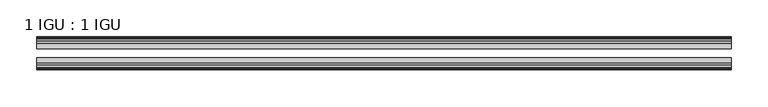
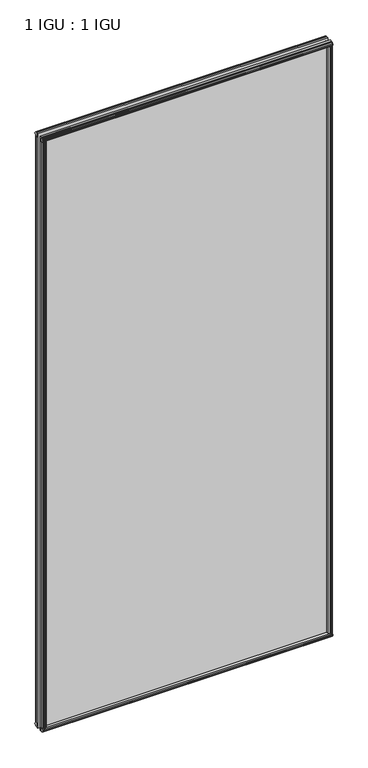
"""IFC4 building model written with IfcOpenShell, lengths in millimetres: plate geometry, 1 IGU : 1 IGU."""

from ifc_helpers import new_model, si_unit, frame, origin, origin_with_axes, place, context, project, spatial, polyline, outline, extrude, source, transform, mapped, element, save


def plate_1_igu_1_igu_a1314116(model_context):
    return source(origin(), model_context, "Body", "SweptSolid", [
        extrude(outline(polyline([(458.7511137, -19.5460937), (460.8563908, -13.1960937), (466.0635852, -13.1960937), (466.4445852, -10.8158968), (465.0290562, -11.27583), (465.0290562, -10.4746158), (467.2065852, -9.7670937), (469.3841143, -10.4746158), (469.3841143, -11.27583), (467.9685852, -10.8158968), (468.3495852, -13.1960937), (472.7945852, -13.1960937), (472.7945852, -16.1419073), (470.5815077, -19.5460937), (458.7511137, -19.5460937)])), origin_with_axes(), (0.0, 0.0, 1.0), 2019.3),
        extrude(outline(polyline([(-458.7511137, -19.5460937), (-470.5815077, -19.5460937), (-472.7945852, -16.1419073), (-472.7945852, -13.1960937), (-468.3495852, -13.1960937), (-467.9685852, -10.8158968), (-469.3841143, -11.27583), (-469.3841143, -10.4746158), (-467.2065852, -9.7670937), (-465.0290562, -10.4746158), (-465.0290562, -11.27583), (-466.4445852, -10.8158968), (-466.0635852, -13.1960937), (-460.8563908, -13.1960937), (-458.7511137, -19.5460937)])), origin_with_axes(), (0.0, 0.0, 1.0), 2019.3),
        extrude(outline(polyline([(-16.1419073, -12.4576852), (-19.5460937, -10.2446077), (-19.5460937, 1.5857863), (-13.1960937, -0.5194908), (-13.1960937, -5.7266852), (-10.8158968, -6.1076852), (-11.27583, -4.6921562), (-10.4746158, -4.6921562), (-9.7670937, -6.8696852), (-10.4746158, -9.0472143), (-11.27583, -9.0472143), (-10.8158968, -7.6316852), (-13.1960937, -8.0126852), (-13.1960937, -12.4576852), (-16.1419073, -12.4576852)])), frame((-473.0369, 0.0, 0.0), z_axis=(1.0, 0.0, 0.0), x_axis=(0.0, 1.0, 0.0)), (0.0, 0.0, 1.0), 946.0738),
        extrude(outline(polyline([(-48.3502802, -11.938), (-51.2960937, -11.938), (-51.2960937, -7.493), (-53.6762907, -7.112), (-53.2163575, -8.5275291), (-54.0175717, -8.5275291), (-54.7250937, -6.35), (-54.0175717, -4.172471), (-53.2163575, -4.172471), (-53.6762907, -5.588), (-51.2960937, -5.207), (-51.2960937, 0.0001944), (-44.9460937, 2.1054715), (-44.9460937, -9.7249225), (-48.3502802, -11.938)])), frame((-473.0369, 0.0, 0.0), z_axis=(1.0, 0.0, 0.0), x_axis=(0.0, 1.0, 0.0)), (0.0, 0.0, 1.0), 946.0738),
        extrude(outline(polyline([(-16.1028367, 2031.7576852), (-13.1960937, 2031.7576852), (-13.1960937, 2027.3126852), (-10.8158968, 2026.9316852), (-11.27583, 2028.3472143), (-10.4746158, 2028.3472143), (-9.7670937, 2026.1696852), (-10.4746158, 2023.9921562), (-11.27583, 2023.9921562), (-10.8158968, 2025.4076852), (-13.1960937, 2025.0266852), (-13.1960937, 2019.7940908), (-19.5460937, 2017.6888137), (-19.5460937, 2029.5192077), (-16.1028367, 2031.7576852)])), frame((-473.0369, 0.0, 0.0), z_axis=(1.0, 0.0, 0.0), x_axis=(0.0, 1.0, 0.0)), (0.0, 0.0, 1.0), 946.0738),
        extrude(outline(polyline([(-48.3893508, 2031.2126), (-44.9460937, 2028.9741225), (-44.9460937, 2017.1437285), (-51.2960937, 2019.2490056), (-51.2960937, 2024.4816), (-53.6762907, 2024.8626), (-53.2163575, 2023.447071), (-54.0175717, 2023.447071), (-54.7250938, 2025.6246), (-54.0175717, 2027.8021291), (-53.2163575, 2027.8021291), (-53.6762907, 2026.3866), (-51.2960937, 2026.7676), (-51.2960937, 2031.2126), (-48.3893508, 2031.2126)])), frame((-473.0369, 0.0, 0.0), z_axis=(1.0, 0.0, 0.0), x_axis=(0.0, 1.0, 0.0)), (0.0, 0.0, 1.0), 946.0738),
        extrude(outline(polyline([(-458.2314285, -44.9460938), (-460.3367056, -51.2960938), (-465.5439, -51.2960938), (-465.9249, -53.6762907), (-464.509371, -53.2163575), (-464.509371, -54.0175717), (-466.6869, -54.7250938), (-468.8644291, -54.0175717), (-468.8644291, -53.2163575), (-467.4489, -53.6762907), (-467.8299, -51.2960938), (-472.2749, -51.2960938), (-472.2749, -48.3502802), (-470.0618225, -44.9460938), (-458.2314285, -44.9460938)])), origin_with_axes(), (0.0, 0.0, 1.0), 2019.3),
        extrude(outline(polyline([(458.2314285, -44.9460938), (470.0618225, -44.9460938), (472.2749, -48.3502802), (472.2749, -51.2960938), (467.8299, -51.2960938), (467.4489, -53.6762907), (468.8644291, -53.2163575), (468.8644291, -54.0175717), (466.6869, -54.7250938), (464.509371, -54.0175717), (464.509371, -53.2163575), (465.9249, -53.6762907), (465.5439, -51.2960938), (460.3367056, -51.2960938), (458.2314285, -44.9460938)])), origin_with_axes(), (0.0, 0.0, 1.0), 2019.3),
        extrude(outline(polyline([(473.0369, -19.5460937), (473.0369, -25.8337453), (-473.0369, -25.8337453), (-473.0369, -19.5460937), (473.0369, -19.5460937)])), frame((0.0, 0.0, -12.7), z_axis=(0.0, 0.0, 1.0), x_axis=(1.0, 0.0, 0.0)), (0.0, 0.0, 1.0), 2044.6872998),
        extrude(outline(polyline([(-473.0369, -44.9460937), (-473.0369, -38.6468938), (473.0369, -38.6468938), (473.0369, -44.9460937), (-473.0369, -44.9460937)])), frame((0.0, 0.0, -12.7), z_axis=(0.0, 0.0, 1.0), x_axis=(1.0, 0.0, 0.0)), (0.0, 0.0, 1.0), 2044.6872998),
    ])


if __name__ == "__main__":
    model = new_model("IFC4")
    model_context = context("Model", 3, world=origin())
    ifc_project = project(units=[si_unit("LENGTHUNIT", "METRE", prefix="MILLI")], contexts=[model_context])
    site = spatial("IfcSite", under=ifc_project)
    building = spatial("IfcBuilding", under=site)
    placement = place(None, origin())
    plate_1_igu_1_igu_shape = plate_1_igu_1_igu_a1314116(model_context)
    element("IfcPlate", 1, ObjectType="1 IGU : 1 IGU", at=placement, inside=building, context=model_context, shape_type="MappedRepresentation", body=[
        mapped(plate_1_igu_1_igu_shape, transform((0.0, 0.0, 0.0), x_axis=(1.0, 0.0, 0.0), y_axis=(0.0, 1.0, 0.0), z_axis=(0.0, 0.0, 1.0))),
    ])
    save(model, "model.ifc")
